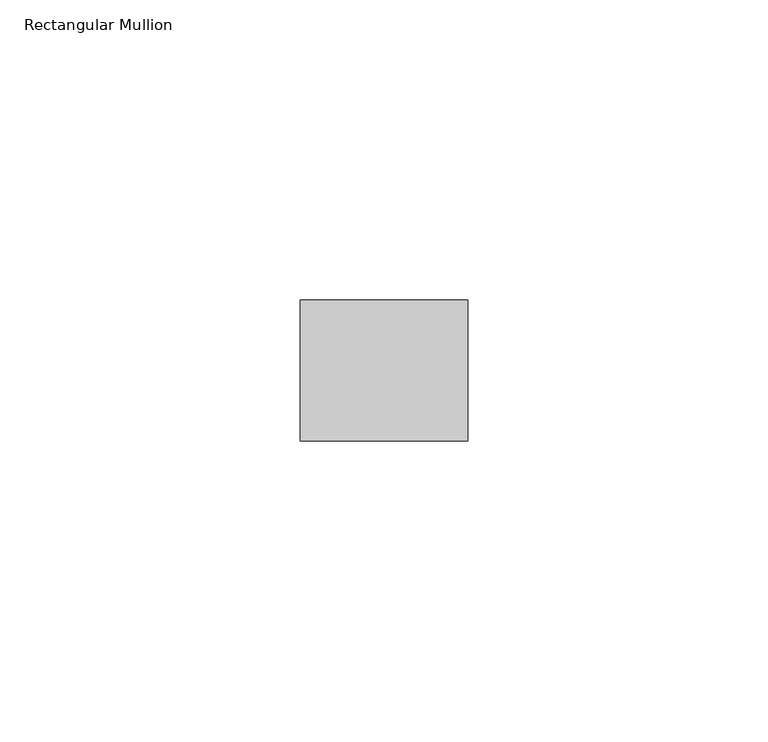
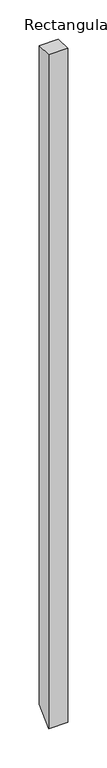
"""IFC4 building model written with IfcOpenShell, lengths in millimetres: member geometry, Rectangular Mullion."""

from ifc_helpers import new_model, si_unit, frame, origin, place, context, project, spatial, polyline, outline, extrude, source, transform, mapped, element, save


def rectangular_mullion_741434ff(model_context):
    return source(origin(), model_context, "Body", "SweptSolid", [
        extrude(outline(polyline([(-11.7474999, 0.0), (11.7474999, 0.0), (11.7474999, -1023.3025001), (-11.7474999, -1046.7974999), (-11.7474999, 0.0)])), frame((-27.94, 0.0, 0.0), z_axis=(1.0, 0.0, 0.0), x_axis=(0.0, 1.0, 0.0)), (0.0, 0.0, 1.0), 27.94),
    ])


if __name__ == "__main__":
    model = new_model("IFC4")
    model_context = context("Model", 3, world=origin())
    ifc_project = project(units=[si_unit("LENGTHUNIT", "METRE", prefix="MILLI")], contexts=[model_context])
    site = spatial("IfcSite", under=ifc_project)
    building = spatial("IfcBuilding", under=site)
    placement = place(None, origin())
    rectangular_mullion_shape = rectangular_mullion_741434ff(model_context)
    element("IfcMember", 1, ObjectType="Rectangular Mullion", at=placement, inside=building, context=model_context, shape_type="MappedRepresentation", body=[
        mapped(rectangular_mullion_shape, transform((0.0, 0.0, 0.0), x_axis=(1.0, 0.0, 0.0), y_axis=(0.0, 1.0, 0.0), z_axis=(0.0, 0.0, 1.0))),
    ])
    save(model, "model.ifc")
